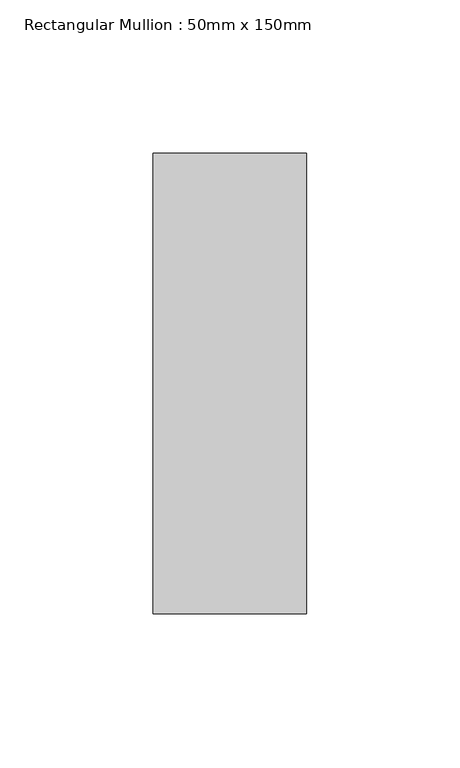
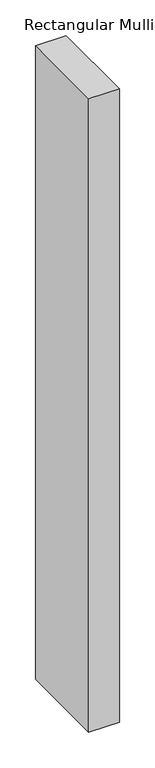
"""IFC4 building model written with IfcOpenShell, lengths in millimetres: member geometry, Rectangular Mullion : 50mm x 150mm."""

from ifc_helpers import new_model, si_unit, frame, origin, place, context, project, spatial, polyline, outline, extrude, source, transform, mapped, element, save


def rectangular_mullion_50mm_x_150mm_1ae3332c(model_context):
    return source(origin(), model_context, "Body", "SweptSolid", [
        extrude(outline(polyline([(25.0, 75.0), (25.0, -75.0), (-25.0, -75.0), (-25.0, 75.0), (25.0, 75.0)])), frame((0.0, 0.0, -1086.5789473), z_axis=(0.0, 0.0, 1.0), x_axis=(1.0, 0.0, 0.0)), (0.0, 0.0, 1.0), 1086.5789473),
    ])


if __name__ == "__main__":
    model = new_model("IFC4")
    model_context = context("Model", 3, world=origin())
    ifc_project = project(units=[si_unit("LENGTHUNIT", "METRE", prefix="MILLI")], contexts=[model_context])
    site = spatial("IfcSite", under=ifc_project)
    building = spatial("IfcBuilding", under=site)
    placement = place(None, origin())
    rectangular_mullion_50mm_x_150mm_shape = rectangular_mullion_50mm_x_150mm_1ae3332c(model_context)
    element("IfcMember", 1, ObjectType="Rectangular Mullion : 50mm x 150mm", at=placement, inside=building, context=model_context, shape_type="MappedRepresentation", body=[
        mapped(rectangular_mullion_50mm_x_150mm_shape, transform((0.0, 0.0, 0.0), x_axis=(1.0, 0.0, 0.0), y_axis=(0.0, 1.0, 0.0), z_axis=(0.0, 0.0, 1.0))),
    ])
    save(model, "model.ifc")
